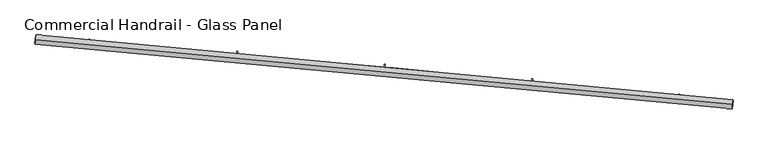
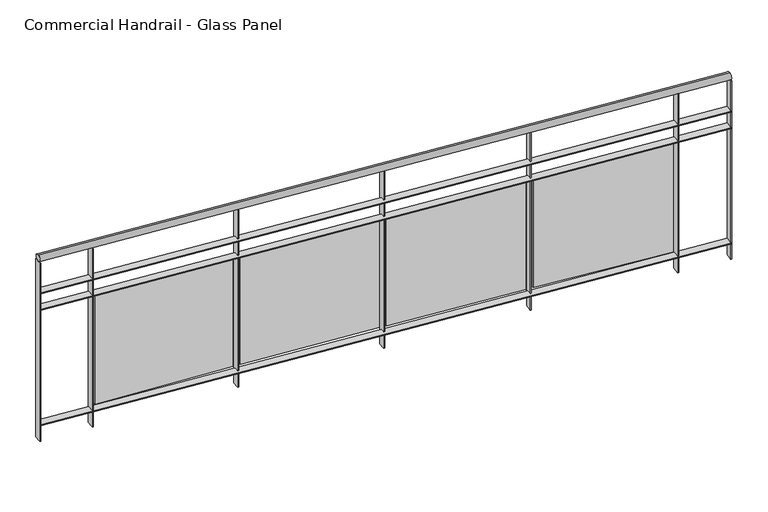
"""IFC4 building model written with IfcOpenShell, lengths in millimetres: railing geometry, Commercial Handrail - Glass Panel."""

from ifc_helpers import new_model, si_unit, point, frame, origin, place, context, project, spatial, polyline, circle_curve, ellipse_curve, trimmed, outline, extrude, source, transform, mapped, element, save
from ifc_brep_helpers import plane_surface, cylinder_surface, revolved_surface, advanced_brep


def commercial_handrail_glass_panel_e9f3f3db(model_context):
    return source(origin(), model_context, "Body", "SolidModel", [
        advanced_brep(
        [(134392.4186606, -8697.9244773, 9482.5), (130631.4894824, -8347.8645549, 9482.5), (130631.4894824, -8347.8645549, 9517.5), (134392.4186606, -8697.9244773, 9517.5)],
        [
            (0, 1, circle_curve(frame((123990.1653691, -100078.2018552, 9482.5), z_axis=(0.0, 0.0, 1.0), x_axis=(0.07221150688072363, 0.9973893413677606, 0.0)), 91970.4407253)),
            (1, 2, ellipse_curve(frame((130631.4894824, -8347.8645549, 9500.0), z_axis=(0.9973893413677601, -0.07221150688073003, 0.0), x_axis=(-0.07221150688073003, -0.9973893413677601, 0.0)), 25.0, 17.5)),
            (2, 3, circle_curve(frame((123990.1653691, -100078.2018552, 9517.5), z_axis=(0.0, 0.0, -1.0), x_axis=(0.07221150688072363, 0.9973893413677606, 0.0)), 91970.4407253)),
            (3, 0, ellipse_curve(frame((134392.4186606, -8697.9244773, 9500.0), z_axis=(-0.9935831192856617, 0.11310431057468384, 0.0), x_axis=(-0.11310431057468384, -0.9935831192856617, 0.0)), 25.0, 17.5)),
            (2, 1, ellipse_curve(frame((130631.4894824, -8347.8645549, 9500.0), z_axis=(0.9973893413677601, -0.07221150688073003, 0.0), x_axis=(-0.07221150688073003, -0.9973893413677601, 0.0)), 25.0, 17.5)),
            (0, 3, ellipse_curve(frame((134392.4186606, -8697.9244773, 9500.0), z_axis=(-0.9935831192856617, 0.11310431057468384, 0.0), x_axis=(-0.11310431057468384, -0.9935831192856617, 0.0)), 25.0, 17.5)),
        ],
        [
            revolved_surface(trimmed(ellipse_curve(frame((130631.4894824, -8347.8645549, 9500.0), z_axis=(-0.9973893413677606, 0.07221150688072363, 0.0), x_axis=(0.0, 0.0, -1.0)), 17.5, 25.0), [point((130631.4894824, -8347.8645549, 9517.5))], [point((130631.4894824, -8347.8645549, 9482.5))], True, "CARTESIAN"), (123990.1653691, -100078.2018552, 9500.0), (0.0, 0.0, -1.0)),
            revolved_surface(trimmed(ellipse_curve(frame((130631.4894824, -8347.8645549, 9500.0), z_axis=(-0.9973893413677606, 0.07221150688072363, 0.0), x_axis=(0.0, 0.0, -1.0)), 17.5, 25.0), [point((130631.4894824, -8347.8645549, 9482.5))], [point((130631.4894824, -8347.8645549, 9517.5))], True, "CARTESIAN"), (123990.1653691, -100078.2018552, 9500.0), (0.0, 0.0, -1.0)),
            plane_surface(frame((130631.4894824, -8347.8645549, 9500.0), z_axis=(-0.9973893413677607, 0.07221150688072363, 0.0), x_axis=(0.07221150688072363, 0.9973893413677607, 0.0))),
            plane_surface(frame((134392.4186606, -8697.9244773, 9500.0), z_axis=(0.9935831192856617, -0.11310431057468376, 0.0), x_axis=(0.11310431057468376, 0.9935831192856617, 0.0))),
        ],
        [
            (0, [[1, 2, 3, 4]]),
            (1, [[-3, 5, -1, 6]]),
            (2, [[-2, -5]]),
            (3, [[-6, -4]]),
        ],
    ),
        advanced_brep(
        [(134394.9635076, -8675.5688571, 9300.0), (130633.1142413, -8325.4232948, 9300.0), (130629.8647235, -8370.3058151, 9300.0), (134389.8738136, -8720.2800975, 9300.0), (134394.9635076, -8675.5688571, 9294.0), (130633.1142413, -8325.4232948, 9294.0), (134389.8738136, -8720.2800975, 9294.0), (130629.8647235, -8370.3058151, 9294.0)],
        [
            (0, 1, circle_curve(frame((123990.1653691, -100078.2018552, 9300.0), z_axis=(0.0, 0.0, 1.0), x_axis=(0.07221150688072363, 0.9973893413677606, 0.0)), 91992.9407253)),
            (1, 2),
            (2, 3, circle_curve(frame((123990.1653691, -100078.2018552, 9300.0), z_axis=(0.0, 0.0, -1.0), x_axis=(0.07221150688072363, 0.9973893413677606, 0.0)), 91947.9407253)),
            (3, 0),
            (4, 5, circle_curve(frame((123990.1653691, -100078.2018552, 9294.0), z_axis=(0.0, 0.0, 1.0), x_axis=(0.07221150688072363, 0.9973893413677606, 0.0)), 91992.9407253)),
            (5, 1),
            (0, 4),
            (6, 7, circle_curve(frame((123990.1653691, -100078.2018552, 9294.0), z_axis=(0.0, 0.0, 1.0), x_axis=(0.07221150688072363, 0.9973893413677606, 0.0)), 91947.9407253)),
            (7, 5),
            (4, 6),
            (2, 7),
            (6, 3),
        ],
        [
            plane_surface(frame((123990.1653691, -100078.2018552, 9300.0), z_axis=(0.0, 0.0, 1.0), x_axis=(0.07221150688072363, 0.9973893413677606, 0.0))),
            cylinder_surface(frame((123990.1653691, -100078.2018552, 9300.0), z_axis=(0.0, 0.0, -1.0), x_axis=(0.07221150688072363, 0.9973893413677606, 0.0)), 91992.9407253),
            plane_surface(frame((123990.1653691, -100078.2018552, 9294.0), z_axis=(0.0, 0.0, -1.0), x_axis=(0.07221150688072363, 0.9973893413677606, 0.0))),
            revolved_surface(polyline([(130629.86472345337, -8370.305815071144, 9294.0), (130629.86472345337, -8370.305815071144, 9300.0)]), (123990.1653691, -100078.2018552, 9300.0), (0.0, 0.0, -1.0)),
            plane_surface(frame((130631.4894824, -8347.8645549, 9300.0), z_axis=(-0.9973893413677607, 0.07221150688072363, 0.0), x_axis=(0.07221150688072363, 0.9973893413677607, 0.0))),
            plane_surface(frame((134392.4186606, -8697.9244773, 9300.0), z_axis=(0.9935831192856617, -0.11310431057468376, 0.0), x_axis=(0.11310431057468376, 0.9935831192856617, 0.0))),
        ],
        [
            (0, [[1, 2, 3, 4]]),
            (1, [[5, 6, -1, 7]]),
            (2, [[8, 9, -5, 10]]),
            (3, [[-3, 11, -8, 12]]),
            (4, [[-2, -6, -9, -11]]),
            (5, [[-12, -10, -7, -4]]),
        ],
    ),
        advanced_brep(
        [(134394.9635076, -8675.5688571, 9200.0), (130633.1142413, -8325.4232948, 9200.0), (130629.8647235, -8370.3058151, 9200.0), (134389.8738136, -8720.2800975, 9200.0), (134394.9635076, -8675.5688571, 9194.0), (130633.1142413, -8325.4232948, 9194.0), (134389.8738136, -8720.2800975, 9194.0), (130629.8647235, -8370.3058151, 9194.0)],
        [
            (0, 1, circle_curve(frame((123990.1653691, -100078.2018552, 9200.0), z_axis=(0.0, 0.0, 1.0), x_axis=(0.07221150688072363, 0.9973893413677606, 0.0)), 91992.9407253)),
            (1, 2),
            (2, 3, circle_curve(frame((123990.1653691, -100078.2018552, 9200.0), z_axis=(0.0, 0.0, -1.0), x_axis=(0.07221150688072363, 0.9973893413677606, 0.0)), 91947.9407253)),
            (3, 0),
            (4, 5, circle_curve(frame((123990.1653691, -100078.2018552, 9194.0), z_axis=(0.0, 0.0, 1.0), x_axis=(0.07221150688072363, 0.9973893413677606, 0.0)), 91992.9407253)),
            (5, 1),
            (0, 4),
            (6, 7, circle_curve(frame((123990.1653691, -100078.2018552, 9194.0), z_axis=(0.0, 0.0, 1.0), x_axis=(0.07221150688072363, 0.9973893413677606, 0.0)), 91947.9407253)),
            (7, 5),
            (4, 6),
            (2, 7),
            (6, 3),
        ],
        [
            plane_surface(frame((123990.1653691, -100078.2018552, 9200.0), z_axis=(0.0, 0.0, 1.0), x_axis=(0.07221150688072363, 0.9973893413677606, 0.0))),
            cylinder_surface(frame((123990.1653691, -100078.2018552, 9200.0), z_axis=(0.0, 0.0, -1.0), x_axis=(0.07221150688072363, 0.9973893413677606, 0.0)), 91992.9407253),
            plane_surface(frame((123990.1653691, -100078.2018552, 9194.0), z_axis=(0.0, 0.0, -1.0), x_axis=(0.07221150688072363, 0.9973893413677606, 0.0))),
            revolved_surface(polyline([(130629.86472345337, -8370.305815071144, 9194.0), (130629.86472345337, -8370.305815071144, 9200.0)]), (123990.1653691, -100078.2018552, 9200.0), (0.0, 0.0, -1.0)),
            plane_surface(frame((130631.4894824, -8347.8645549, 9200.0), z_axis=(-0.9973893413677607, 0.07221150688072363, 0.0), x_axis=(0.07221150688072363, 0.9973893413677607, 0.0))),
            plane_surface(frame((134392.4186606, -8697.9244773, 9200.0), z_axis=(0.9935831192856617, -0.11310431057468376, 0.0), x_axis=(0.11310431057468376, 0.9935831192856617, 0.0))),
        ],
        [
            (0, [[1, 2, 3, 4]]),
            (1, [[5, 6, -1, 7]]),
            (2, [[8, 9, -5, 10]]),
            (3, [[-3, 11, -8, 12]]),
            (4, [[-2, -6, -9, -11]]),
            (5, [[-12, -10, -7, -4]]),
        ],
    ),
        advanced_brep(
        [(134394.9635076, -8675.5688571, 8500.0), (130633.1142413, -8325.4232948, 8500.0), (130629.8647235, -8370.3058151, 8500.0), (134389.8738136, -8720.2800975, 8500.0), (134394.9635076, -8675.5688571, 8494.0), (130633.1142413, -8325.4232948, 8494.0), (134389.8738136, -8720.2800975, 8494.0), (130629.8647235, -8370.3058151, 8494.0)],
        [
            (0, 1, circle_curve(frame((123990.1653691, -100078.2018552, 8500.0), z_axis=(0.0, 0.0, 1.0), x_axis=(0.07221150688072363, 0.9973893413677606, 0.0)), 91992.9407253)),
            (1, 2),
            (2, 3, circle_curve(frame((123990.1653691, -100078.2018552, 8500.0), z_axis=(0.0, 0.0, -1.0), x_axis=(0.07221150688072363, 0.9973893413677606, 0.0)), 91947.9407253)),
            (3, 0),
            (4, 5, circle_curve(frame((123990.1653691, -100078.2018552, 8494.0), z_axis=(0.0, 0.0, 1.0), x_axis=(0.07221150688072363, 0.9973893413677606, 0.0)), 91992.9407253)),
            (5, 1),
            (0, 4),
            (6, 7, circle_curve(frame((123990.1653691, -100078.2018552, 8494.0), z_axis=(0.0, 0.0, 1.0), x_axis=(0.07221150688072363, 0.9973893413677606, 0.0)), 91947.9407253)),
            (7, 5),
            (4, 6),
            (2, 7),
            (6, 3),
        ],
        [
            plane_surface(frame((123990.1653691, -100078.2018552, 8500.0), z_axis=(0.0, 0.0, 1.0), x_axis=(0.07221150688072363, 0.9973893413677606, 0.0))),
            cylinder_surface(frame((123990.1653691, -100078.2018552, 8500.0), z_axis=(0.0, 0.0, -1.0), x_axis=(0.07221150688072363, 0.9973893413677606, 0.0)), 91992.9407253),
            plane_surface(frame((123990.1653691, -100078.2018552, 8494.0), z_axis=(0.0, 0.0, -1.0), x_axis=(0.07221150688072363, 0.9973893413677606, 0.0))),
            revolved_surface(polyline([(130629.86472345337, -8370.305815071144, 8494.0), (130629.86472345337, -8370.305815071144, 8500.0)]), (123990.1653691, -100078.2018552, 8500.0), (0.0, 0.0, -1.0)),
            plane_surface(frame((130631.4894824, -8347.8645549, 8500.0), z_axis=(-0.9973893413677607, 0.07221150688072363, 0.0), x_axis=(0.07221150688072363, 0.9973893413677607, 0.0))),
            plane_surface(frame((134392.4186606, -8697.9244773, 8500.0), z_axis=(0.9935831192856617, -0.11310431057468376, 0.0), x_axis=(0.11310431057468376, 0.9935831192856617, 0.0))),
        ],
        [
            (0, [[1, 2, 3, 4]]),
            (1, [[5, 6, -1, 7]]),
            (2, [[8, 9, -5, 10]]),
            (3, [[-3, 11, -8, 12]]),
            (4, [[-2, -6, -9, -11]]),
            (5, [[-12, -10, -7, -4]]),
        ],
    ),
        extrude(outline(polyline([(134100.038637, -8687.7522714), (134104.9879428, -8643.0252732), (134110.9515425, -8643.6851806), (134106.0022367, -8688.4121789), (134100.038637, -8687.7522714)])), frame((0.0, 0.0, 8400.0), z_axis=(0.0, 0.0, 1.0), x_axis=(1.0, 0.0, 0.0)), (0.0, 0.0, 1.0), 1082.1192282),
        extrude(outline(polyline([(133330.5884692, -8576.4721186), (134086.3341715, -8656.7742575), (134085.066243, -8668.7070844), (133329.3205407, -8588.4049454), (133330.5884692, -8576.4721186)])), frame((0.0, 0.0, 8520.0), z_axis=(0.0, 0.0, 1.0), x_axis=(1.0, 0.0, 0.0)), (0.0, 0.0, 1.0), 660.0),
        extrude(outline(polyline([(133304.7112147, -8603.2705991), (133309.2712828, -8558.5022422), (133315.240397, -8559.1102513), (133310.680329, -8603.8786082), (133304.7112147, -8603.2705991)])), frame((0.0, 0.0, 8400.0), z_axis=(0.0, 0.0, 1.0), x_axis=(1.0, 0.0, 0.0)), (0.0, 0.0, 1.0), 1082.1192282),
        extrude(outline(polyline([(132534.3222039, -8498.6875932), (133290.7378105, -8572.4129632), (133289.5737257, -8584.3563675), (132533.1581191, -8510.6309975), (132534.3222039, -8498.6875932)])), frame((0.0, 0.0, 8520.0), z_axis=(0.0, 0.0, 1.0), x_axis=(1.0, 0.0, 0.0)), (0.0, 0.0, 1.0), 660.0),
        extrude(outline(polyline([(132508.6790306, -8525.710149), (132512.8495159, -8480.9038207), (132518.823693, -8481.4598854), (132514.6532077, -8526.2662137), (132508.6790306, -8525.710149)])), frame((0.0, 0.0, 8400.0), z_axis=(0.0, 0.0, 1.0), x_axis=(1.0, 0.0, 0.0)), (0.0, 0.0, 1.0), 1082.1192282),
        extrude(outline(polyline([(131737.4094664, -8427.832203), (132494.4377449, -8494.9752258), (132493.3775919, -8506.9283039), (131736.3493134, -8439.7852811), (131737.4094664, -8427.832203)])), frame((0.0, 0.0, 8520.0), z_axis=(0.0, 0.0, 1.0), x_axis=(1.0, 0.0, 0.0)), (0.0, 0.0, 1.0), 660.0),
        extrude(outline(polyline([(131712.0023145, -8455.0767895), (131715.7829014, -8410.23588), (131721.7616894, -8410.7399583), (131717.9811024, -8455.5808678), (131712.0023145, -8455.0767895)])), frame((0.0, 0.0, 8400.0), z_axis=(0.0, 0.0, 1.0), x_axis=(1.0, 0.0, 0.0)), (0.0, 0.0, 1.0), 1082.1192282),
        extrude(outline(polyline([(130939.9105529, -8363.9113091), (131697.4942248, -8424.4669046), (131696.5380838, -8436.428752), (130938.954412, -8375.8731566), (130939.9105529, -8363.9113091)])), frame((0.0, 0.0, 8520.0), z_axis=(0.0, 0.0, 1.0), x_axis=(1.0, 0.0, 0.0)), (0.0, 0.0, 1.0), 660.0),
        extrude(outline(polyline([(130914.7413448, -8391.3758649), (130918.1317474, -8346.503767), (130924.1146938, -8346.9558207), (130920.7242912, -8391.8279186), (130914.7413448, -8391.3758649)])), frame((0.0, 0.0, 8400.0), z_axis=(0.0, 0.0, 1.0), x_axis=(1.0, 0.0, 0.0)), (0.0, 0.0, 1.0), 1082.1192282),
        extrude(outline(polyline([(134386.8930643, -8719.9407846), (134391.9827582, -8675.2295442), (134397.9442569, -8675.9081701), (134392.854563, -8720.6194104), (134386.8930643, -8719.9407846)])), frame((0.0, 0.0, 8400.0), z_axis=(0.0, 0.0, 1.0), x_axis=(1.0, 0.0, 0.0)), (0.0, 0.0, 1.0), 1082.1192282),
        extrude(outline(polyline([(130626.8725554, -8370.0891806), (130630.1220733, -8325.2066602), (130636.1064093, -8325.6399293), (130632.8568915, -8370.5224496), (130626.8725554, -8370.0891806)])), frame((0.0, 0.0, 8400.0), z_axis=(0.0, 0.0, 1.0), x_axis=(1.0, 0.0, 0.0)), (0.0, 0.0, 1.0), 1082.1192282),
    ])


if __name__ == "__main__":
    model = new_model("IFC4")
    model_context = context("Model", 3, world=origin())
    ifc_project = project(units=[si_unit("LENGTHUNIT", "METRE", prefix="MILLI")], contexts=[model_context])
    site = spatial("IfcSite", under=ifc_project)
    building = spatial("IfcBuilding", under=site)
    placement = place(None, origin())
    commercial_handrail_glass_panel_shape = commercial_handrail_glass_panel_e9f3f3db(model_context)
    element("IfcRailing", 1, ObjectType="Commercial Handrail - Glass Panel", at=placement, inside=building, context=model_context, shape_type="MappedRepresentation", body=[
        mapped(commercial_handrail_glass_panel_shape, transform((0.0, 0.0, 0.0), x_axis=(1.0, 0.0, 0.0), y_axis=(0.0, 1.0, 0.0), z_axis=(0.0, 0.0, 1.0))),
    ])
    save(model, "model.ifc")
